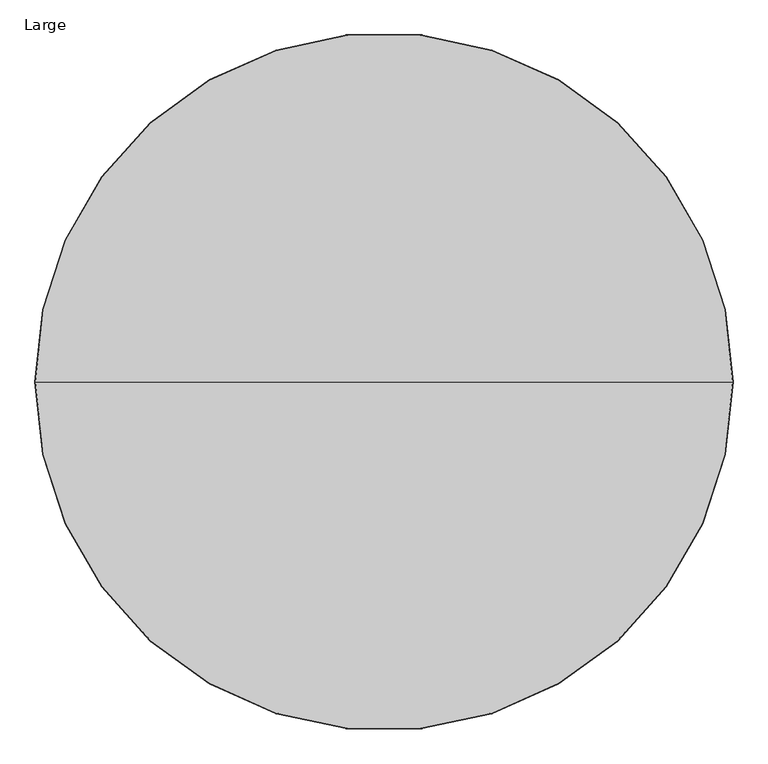
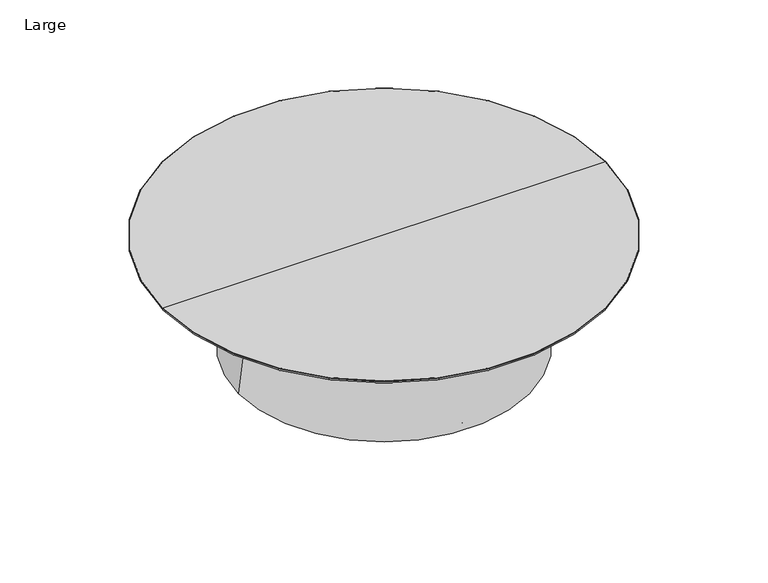
"""IFC4 building model written with IfcOpenShell, lengths in millimetres: furniture geometry, Large."""

from ifc_helpers import new_model, si_unit, point, frame, origin, place, context, project, spatial, polyline, circle_curve, ellipse_curve, trimmed, source, transform, mapped, element, save
from ifc_brep_helpers import plane_surface, revolved_surface, advanced_brep


def large_ff285eb1(model_context):
    return source(origin(), model_context, "Body", "AdvancedBrep", [
        advanced_brep(
        [(367.3732252, 0.0, 6.9999236), (348.3145441, 0.0, 6.9999236), (365.88533, 0.0, 0.0), (349.8024393, 0.0, 0.0)],
        [
            (0, 1, circle_curve(frame((357.8438846, 0.0, 6.9999236), z_axis=(0.0, 0.0, 1.0), x_axis=(1.0, 0.0, 0.0)), 9.5293406)),
            (1, 0, circle_curve(frame((357.8438846, 0.0, 6.9999236), z_axis=(0.0, 0.0, 1.0), x_axis=(-1.0, 0.0, 0.0)), 9.5293406)),
            (2, 3, circle_curve(frame((357.8438846, 0.0, 0.0), z_axis=(0.0, 0.0, -1.0), x_axis=(-1.0, 0.0, 0.0)), 8.0414454)),
            (3, 2, circle_curve(frame((357.8438846, 0.0, 0.0), z_axis=(0.0, 0.0, -1.0), x_axis=(1.0, 0.0, 0.0)), 8.0414454)),
            (2, 0),
            (1, 3),
        ],
        [
            plane_surface(frame((357.8438846, 0.0, 6.9999236), z_axis=(0.0, 0.0, 1.0), x_axis=(0.0, 1.0, 0.0))),
            plane_surface(frame((357.8438846, 0.0, 0.0), z_axis=(0.0, 0.0, -1.0), x_axis=(0.0, 1.0, 0.0))),
            revolved_surface(polyline([(365.8853300050722, 0.0, 0.0), (367.3732252, 0.0, 6.9999236000000025)]), (357.8438846, 0.0, -37.831632), (0.0, 0.0, 1.0)),
            revolved_surface(polyline([(349.80243927931394, 0.0, 0.0), (348.3145441, 0.0, 6.9999236000000025)]), (357.8438846, 0.0, -37.831632), (0.0, 0.0, 1.0)),
        ],
        [
            (0, [[1, 2]]),
            (1, [[3, 4]]),
            (2, [[-3, 5, -2, 6]]),
            (3, [[-4, -6, -1, -5]]),
        ],
    ),
        advanced_brep(
        [(-360.4681058, 0.0, 322.1705708), (360.4681058, 0.0, 322.1705708), (-399.1697738, 0.0, 6.9998782), (399.1697738, 0.0, 6.9998782)],
        [
            (0, 1, circle_curve(frame((0.0, 0.0, 322.1705708), z_axis=(0.0, 0.0, 1.0), x_axis=(-1.0, 0.0, 0.0)), 360.4681058)),
            (1, 0, circle_curve(frame((0.0, 0.0, 322.1705708), z_axis=(0.0, 0.0, 1.0), x_axis=(1.0, 0.0, 0.0)), 360.4681058)),
            (2, 3, circle_curve(frame((0.0, 0.0, 6.9998782), z_axis=(0.0, 0.0, -1.0), x_axis=(1.0, 0.0, 0.0)), 399.1697738)),
            (3, 2, circle_curve(frame((0.0, 0.0, 6.9998782), z_axis=(0.0, 0.0, -1.0), x_axis=(-1.0, 0.0, 0.0)), 399.1697738)),
            (3, 1),
            (0, 2),
        ],
        [
            plane_surface(frame((0.0, 0.0, 322.1705708), z_axis=(0.0, 0.0, 1.0), x_axis=(0.0, -1.0, 0.0))),
            plane_surface(frame((0.0, 0.0, 6.9998782), z_axis=(0.0, 0.0, -1.0), x_axis=(0.0, -1.0, 0.0))),
            revolved_surface(polyline([(-360.468105830537, 0.0, 322.17057079999995), (-399.1697738, 0.0, 6.999878199999785)]), (0.0, 0.0, 3257.6766752), (0.0, 0.0, -1.0)),
            revolved_surface(polyline([(360.468105830537, 0.0, 322.17057079999995), (399.1697738, 0.0, 6.999878199999785)]), (0.0, 0.0, 3257.6766752), (0.0, 0.0, -1.0)),
        ],
        [
            (0, [[1, 2]]),
            (1, [[3, 4]]),
            (2, [[-4, 5, -1, 6]]),
            (3, [[-3, -6, -2, -5]]),
        ],
    ),
        advanced_brep(
        [(0.0, 367.3732252, 6.9999236), (0.0, 348.3145441, 6.9999236), (0.0, 365.88533, 0.0), (0.0, 349.8024393, 0.0)],
        [
            (0, 1, circle_curve(frame((0.0, 357.8438846, 6.9999236), z_axis=(0.0, 0.0, 1.0), x_axis=(0.0, 1.0, 0.0)), 9.5293406)),
            (1, 0, circle_curve(frame((0.0, 357.8438846, 6.9999236), z_axis=(0.0, 0.0, 1.0), x_axis=(0.0, -1.0, 0.0)), 9.5293406)),
            (2, 3, circle_curve(frame((0.0, 357.8438846, 0.0), z_axis=(0.0, 0.0, -1.0), x_axis=(0.0, -1.0, 0.0)), 8.0414454)),
            (3, 2, circle_curve(frame((0.0, 357.8438846, 0.0), z_axis=(0.0, 0.0, -1.0), x_axis=(0.0, 1.0, 0.0)), 8.0414454)),
            (2, 0),
            (1, 3),
        ],
        [
            plane_surface(frame((0.0, 357.8438846, 6.9999236), z_axis=(0.0, 0.0, 1.0), x_axis=(-1.0, 0.0, 0.0))),
            plane_surface(frame((0.0, 357.8438846, 0.0), z_axis=(0.0, 0.0, -1.0), x_axis=(-1.0, 0.0, 0.0))),
            revolved_surface(polyline([(0.0, 365.8853300050722, 0.0), (0.0, 367.3732252, 6.9999236000000025)]), (0.0, 357.8438846, -37.831632), (0.0, 0.0, 1.0)),
            revolved_surface(polyline([(0.0, 349.80243927931394, 0.0), (0.0, 348.3145441, 6.9999236000000025)]), (0.0, 357.8438846, -37.831632), (0.0, 0.0, 1.0)),
        ],
        [
            (0, [[1, 2]]),
            (1, [[3, 4]]),
            (2, [[-3, 5, -2, 6]]),
            (3, [[-4, -6, -1, -5]]),
        ],
    ),
        advanced_brep(
        [(0.0, -367.3732252, 6.9999236), (0.0, -348.3145441, 6.9999236), (0.0, -365.88533, 0.0), (0.0, -349.8024393, 0.0)],
        [
            (0, 1, circle_curve(frame((0.0, -357.8438846, 6.9999236), z_axis=(0.0, 0.0, 1.0), x_axis=(0.0, -1.0, 0.0)), 9.5293406)),
            (1, 0, circle_curve(frame((0.0, -357.8438846, 6.9999236), z_axis=(0.0, 0.0, 1.0), x_axis=(0.0, 1.0, 0.0)), 9.5293406)),
            (2, 3, circle_curve(frame((0.0, -357.8438846, 0.0), z_axis=(0.0, 0.0, -1.0), x_axis=(0.0, 1.0, 0.0)), 8.0414454)),
            (3, 2, circle_curve(frame((0.0, -357.8438846, 0.0), z_axis=(0.0, 0.0, -1.0), x_axis=(0.0, -1.0, 0.0)), 8.0414454)),
            (3, 1),
            (0, 2),
        ],
        [
            plane_surface(frame((0.0, -357.8438846, 6.9999236), z_axis=(0.0, 0.0, 1.0), x_axis=(1.0, 0.0, 0.0))),
            plane_surface(frame((0.0, -357.8438846, 0.0), z_axis=(0.0, 0.0, -1.0), x_axis=(1.0, 0.0, 0.0))),
            revolved_surface(polyline([(0.0, -349.80243927931394, 0.0), (0.0, -348.3145441, 6.9999236000000025)]), (0.0, -357.8438846, -37.831632), (0.0, 0.0, 1.0)),
            revolved_surface(polyline([(0.0, -365.8853300050722, 0.0), (0.0, -367.3732252, 6.9999236000000025)]), (0.0, -357.8438846, -37.831632), (0.0, 0.0, 1.0)),
        ],
        [
            (0, [[1, 2]]),
            (1, [[3, 4]]),
            (2, [[-4, 5, -1, 6]]),
            (3, [[-3, -6, -2, -5]]),
        ],
    ),
        advanced_brep(
        [(-367.3732252, 0.0, 6.9999236), (-348.3145441, 0.0, 6.9999236), (-365.88533, 0.0, 0.0), (-349.8024393, 0.0, 0.0)],
        [
            (0, 1, circle_curve(frame((-357.8438846, 0.0, 6.9999236), z_axis=(0.0, 0.0, 1.0), x_axis=(-1.0, 0.0, 0.0)), 9.5293406)),
            (1, 0, circle_curve(frame((-357.8438846, 0.0, 6.9999236), z_axis=(0.0, 0.0, 1.0), x_axis=(1.0, 0.0, 0.0)), 9.5293406)),
            (2, 3, circle_curve(frame((-357.8438846, 0.0, 0.0), z_axis=(0.0, 0.0, -1.0), x_axis=(1.0, 0.0, 0.0)), 8.0414454)),
            (3, 2, circle_curve(frame((-357.8438846, 0.0, 0.0), z_axis=(0.0, 0.0, -1.0), x_axis=(-1.0, 0.0, 0.0)), 8.0414454)),
            (3, 1),
            (0, 2),
        ],
        [
            plane_surface(frame((-357.8438846, 0.0, 6.9999236), z_axis=(0.0, 0.0, 1.0), x_axis=(0.0, -1.0, 0.0))),
            plane_surface(frame((-357.8438846, 0.0, 0.0), z_axis=(0.0, 0.0, -1.0), x_axis=(0.0, -1.0, 0.0))),
            revolved_surface(polyline([(-349.80243927931394, 0.0, 0.0), (-348.3145441, 0.0, 6.9999236000000025)]), (-357.8438846, 0.0, -37.831632), (0.0, 0.0, 1.0)),
            revolved_surface(polyline([(-365.8853300050722, 0.0, 0.0), (-367.3732252, 0.0, 6.9999236000000025)]), (-357.8438846, 0.0, -37.831632), (0.0, 0.0, 1.0)),
        ],
        [
            (0, [[1, 2]]),
            (1, [[3, 4]]),
            (2, [[-4, 5, -1, 6]]),
            (3, [[-3, -6, -2, -5]]),
        ],
    ),
        advanced_brep(
        [(-602.5693609, 0.0, 322.1705708), (602.5693609, 0.0, 322.1705708), (0.0, 0.0, 322.1705708), (0.0, 0.0, 330.2), (608.6012099, 0.0, 330.2), (-608.6012099, 0.0, 330.2), (-609.6, 0.0, 329.2012099), (609.6, 0.0, 329.2012099)],
        [
            (0, 1, circle_curve(frame((0.0, 0.0, 322.1705708), z_axis=(0.0, 0.0, -1.0), x_axis=(1.0, 0.0, 0.0)), 602.5693609)),
            (1, 2),
            (2, 0),
            (1, 0, circle_curve(frame((0.0, 0.0, 322.1705708), z_axis=(0.0, 0.0, -1.0), x_axis=(1.0, 0.0, 0.0)), 602.5693609)),
            (3, 4),
            (4, 5, circle_curve(frame((0.0, 0.0, 330.2), z_axis=(0.0, 0.0, 1.0), x_axis=(1.0, 0.0, 0.0)), 608.6012099)),
            (5, 3),
            (5, 4, circle_curve(frame((0.0, 0.0, 330.2), z_axis=(0.0, 0.0, 1.0), x_axis=(1.0, 0.0, 0.0)), 608.6012099)),
            (6, 7, circle_curve(frame((0.0, 0.0, 329.2012099), z_axis=(0.0, 0.0, -1.0), x_axis=(1.0, 0.0, 0.0)), 609.6)),
            (7, 1, circle_curve(frame((602.5693609, 0.0, 329.2012099), z_axis=(0.0, 1.0, 0.0), x_axis=(1.0, 0.0, 0.0)), 7.0306391)),
            (0, 6, circle_curve(frame((-602.5693609, 0.0, 329.2012099), z_axis=(0.0, 1.0, 0.0), x_axis=(-1.0, 0.0, 0.0)), 7.0306391)),
            (7, 6, circle_curve(frame((0.0, 0.0, 329.2012099), z_axis=(0.0, 0.0, -1.0), x_axis=(1.0, 0.0, 0.0)), 609.6)),
            (4, 7, circle_curve(frame((608.6012099, 0.0, 329.2012099), z_axis=(0.0, 1.0, 0.0), x_axis=(1.0, 0.0, 0.0)), 0.9987901)),
            (6, 5, circle_curve(frame((-608.6012099, 0.0, 329.2012099), z_axis=(0.0, 1.0, 0.0), x_axis=(-1.0, 0.0, 0.0)), 0.9987901)),
        ],
        [
            plane_surface(frame((0.0, 0.0, 322.1705708), z_axis=(0.0, 0.0, -1.0), x_axis=(1.0, 0.0, 0.0))),
            plane_surface(frame((0.0, 0.0, 330.2), z_axis=(0.0, 0.0, 1.0), x_axis=(1.0, 0.0, 0.0))),
            revolved_surface(trimmed(ellipse_curve(frame((602.5693609, 0.0, 329.2012099), z_axis=(0.0, -1.0, 0.0), x_axis=(1.0, 0.0, 0.0)), 7.0306391, 7.0306391), [point((602.5693609, 0.0, 322.1705708))], [point((609.6, 0.0, 329.2012099))], True, "CARTESIAN"), (0.0, 0.0, 570.8807034), (0.0, 0.0, 1.0)),
            revolved_surface(trimmed(ellipse_curve(frame((608.6012099, 0.0, 329.2012099), z_axis=(0.0, -1.0, 0.0), x_axis=(1.0, 0.0, 0.0)), 0.9987901, 0.9987901), [point((609.6, 0.0, 329.2012099))], [point((608.6012099, 0.0, 330.2))], True, "CARTESIAN"), (0.0, 0.0, 570.8807034), (0.0, 0.0, 1.0)),
        ],
        [
            (0, [[1, 2, 3]]),
            (0, [[4, -3, -2]]),
            (1, [[5, 6, 7]]),
            (1, [[-7, 8, -5]]),
            (2, [[9, 10, -1, 11]]),
            (2, [[12, -11, -4, -10]]),
            (3, [[-6, 13, -9, 14]]),
            (3, [[-8, -14, -12, -13]]),
        ],
    ),
    ])


if __name__ == "__main__":
    model = new_model("IFC4")
    model_context = context("Model", 3, world=origin())
    ifc_project = project(units=[si_unit("LENGTHUNIT", "METRE", prefix="MILLI")], contexts=[model_context])
    site = spatial("IfcSite", under=ifc_project)
    building = spatial("IfcBuilding", under=site)
    placement = place(None, origin())
    large_shape = large_ff285eb1(model_context)
    element("IfcFurniture", 1, ObjectType="Large", at=placement, inside=building, context=model_context, shape_type="MappedRepresentation", body=[
        mapped(large_shape, transform((0.0, 0.0, 0.0), x_axis=(1.0, 0.0, 0.0), y_axis=(0.0, 1.0, 0.0), z_axis=(0.0, 0.0, 1.0))),
    ])
    save(model, "model.ifc")
